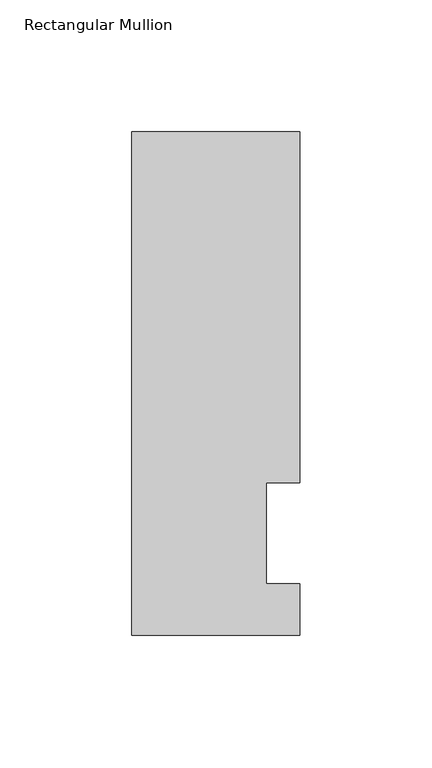
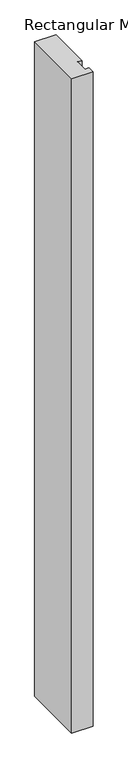
"""IFC4 building model written with IfcOpenShell, lengths in millimetres: member geometry, Rectangular Mullion."""

from ifc_helpers import new_model, si_unit, frame, origin, place, context, project, spatial, polyline, outline, extrude, source, transform, mapped, element, save


def rectangular_mullion_e6796630(model_context):
    return source(origin(), model_context, "Body", "SweptSolid", [
        extrude(outline(polyline([(-31.75, 190.5896938), (31.75, 190.5896938), (31.75, 57.6460937), (19.05, 57.6460937), (19.05, 19.5460937), (31.75, 19.5460937), (31.75, 0.0134938), (-31.75, 0.0134938), (-31.75, 190.5896938)])), frame((0.0, 0.0, -2057.4), z_axis=(0.0, 0.0, 1.0), x_axis=(1.0, 0.0, 0.0)), (0.0, 0.0, 1.0), 2057.4),
    ])


if __name__ == "__main__":
    model = new_model("IFC4")
    model_context = context("Model", 3, world=origin())
    ifc_project = project(units=[si_unit("LENGTHUNIT", "METRE", prefix="MILLI")], contexts=[model_context])
    site = spatial("IfcSite", under=ifc_project)
    building = spatial("IfcBuilding", under=site)
    placement = place(None, origin())
    rectangular_mullion_shape = rectangular_mullion_e6796630(model_context)
    element("IfcMember", 1, ObjectType="Rectangular Mullion", at=placement, inside=building, context=model_context, shape_type="MappedRepresentation", body=[
        mapped(rectangular_mullion_shape, transform((0.0, 0.0, 0.0), x_axis=(1.0, 0.0, 0.0), y_axis=(0.0, 1.0, 0.0), z_axis=(0.0, 0.0, 1.0))),
    ])
    save(model, "model.ifc")
